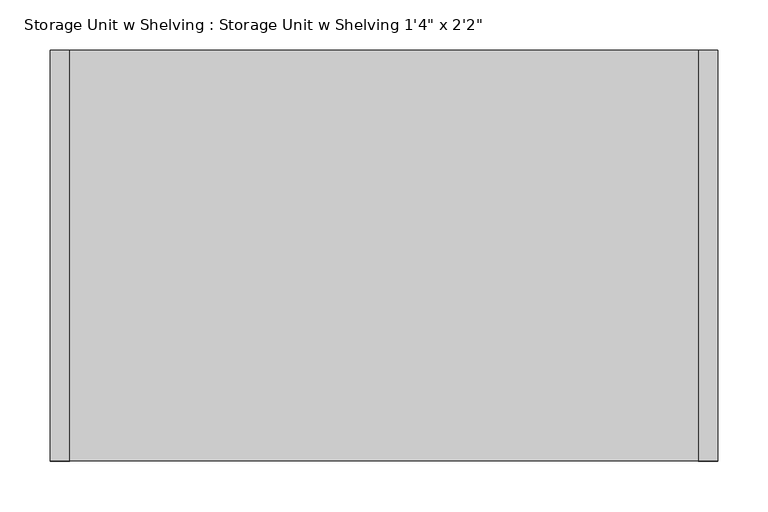
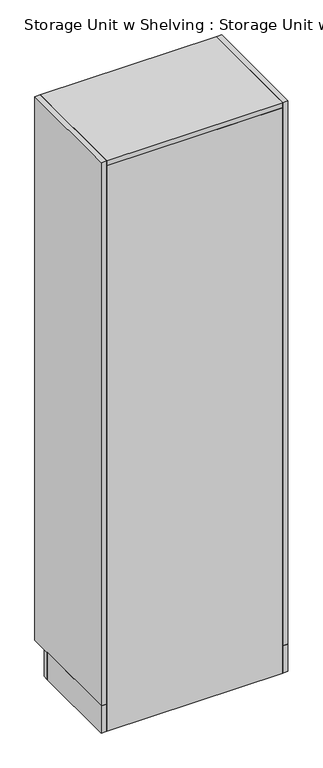
"""IFC4 building model written with IfcOpenShell, lengths in millimetres: furniture geometry."""

from ifc_helpers import new_model, si_unit, frame, origin, origin_with_axes, place, context, project, spatial, polyline, outline, extrude, source, transform, mapped, element, save


def furniture_e481084e(model_context):
    return source(origin(), model_context, "Body", "SweptSolid", [
        extrude(outline(polyline([(205.390969, 330.2), (224.440969, 330.2), (224.440969, 0.0), (205.390969, 0.0), (205.390969, 330.2)])), origin_with_axes(), (0.0, 0.0, 1.0), 101.6),
        extrude(outline(polyline([(-435.959031, 330.2), (-416.909031, 330.2), (-416.909031, 0.0), (-435.959031, 0.0), (-435.959031, 330.2)])), origin_with_axes(), (0.0, 0.0, 1.0), 101.6),
        extrude(outline(polyline([(205.390969, 19.05), (-416.909031, 19.05), (-416.909031, 406.4), (205.390969, 406.4), (205.390969, 19.05)])), frame((0.0, 0.0, 1625.6), z_axis=(0.0, 0.0, 1.0), x_axis=(1.0, 0.0, 0.0)), (0.0, 0.0, 1.0), 19.05),
        extrude(outline(polyline([(205.390969, 19.05), (-416.909031, 19.05), (-416.909031, 406.4), (205.390969, 406.4), (205.390969, 19.05)])), frame((0.0, 0.0, 1117.6), z_axis=(0.0, 0.0, 1.0), x_axis=(1.0, 0.0, 0.0)), (0.0, 0.0, 1.0), 19.05),
        extrude(outline(polyline([(205.390969, 19.05), (-416.909031, 19.05), (-416.909031, 406.4), (205.390969, 406.4), (205.390969, 19.05)])), frame((0.0, 0.0, 609.6), z_axis=(0.0, 0.0, 1.0), x_axis=(1.0, 0.0, 0.0)), (0.0, 0.0, 1.0), 19.05),
        extrude(outline(polyline([(205.390969, 19.05), (-416.909031, 19.05), (-416.909031, 406.4), (205.390969, 406.4), (205.390969, 19.05)])), frame((0.0, 0.0, 101.6), z_axis=(0.0, 0.0, 1.0), x_axis=(1.0, 0.0, 0.0)), (0.0, 0.0, 1.0), 19.05),
        extrude(outline(polyline([(205.390969, 19.05), (205.390969, 0.0), (-416.909031, 0.0), (-416.909031, 19.05), (205.390969, 19.05)])), origin_with_axes(), (0.0, 0.0, 1.0), 2114.55),
        extrude(outline(polyline([(205.390969, 0.0), (-416.909031, 0.0), (-416.909031, 406.4), (205.390969, 406.4), (205.390969, 0.0)])), frame((0.0, 0.0, 2114.55), z_axis=(0.0, 0.0, 1.0), x_axis=(1.0, 0.0, 0.0)), (0.0, 0.0, 1.0), 19.05),
        extrude(outline(polyline([(205.390969, 406.4), (224.440969, 406.4), (224.440969, 0.0), (205.390969, 0.0), (205.390969, 406.4)])), frame((0.0, 0.0, 101.6), z_axis=(0.0, 0.0, 1.0), x_axis=(1.0, 0.0, 0.0)), (0.0, 0.0, 1.0), 2032.0),
        extrude(outline(polyline([(-435.959031, 406.4), (-416.909031, 406.4), (-416.909031, 0.0), (-435.959031, 0.0), (-435.959031, 406.4)])), frame((0.0, 0.0, 101.6), z_axis=(0.0, 0.0, 1.0), x_axis=(1.0, 0.0, 0.0)), (0.0, 0.0, 1.0), 2032.0),
        extrude(outline(polyline([(-435.959031, 349.25), (224.440969, 349.25), (224.440969, 330.2), (-435.959031, 330.2), (-435.959031, 349.25)])), origin_with_axes(), (0.0, 0.0, 1.0), 101.6),
    ])


if __name__ == "__main__":
    model = new_model("IFC4")
    model_context = context("Model", 3, world=origin())
    ifc_project = project(units=[si_unit("LENGTHUNIT", "METRE", prefix="MILLI")], contexts=[model_context])
    site = spatial("IfcSite", under=ifc_project)
    building = spatial("IfcBuilding", under=site)
    placement = place(None, origin())
    furniture_shape = furniture_e481084e(model_context)
    element("IfcFurniture", 1, ObjectType="Storage Unit w Shelving : Storage Unit w Shelving 1'4\" x 2'2\"", at=placement, inside=building, context=model_context, shape_type="MappedRepresentation", body=[
        mapped(furniture_shape, transform((0.0, 0.0, 0.0), x_axis=(1.0, 0.0, 0.0), y_axis=(0.0, 1.0, 0.0), z_axis=(0.0, 0.0, 1.0))),
    ])
    save(model, "model.ifc")
